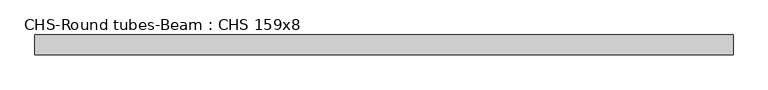
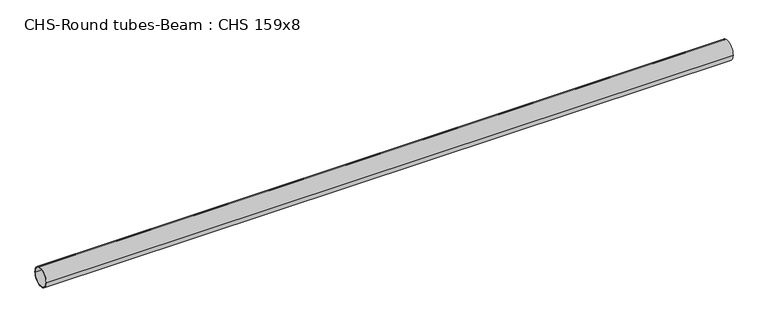
"""IFC4 building model written with IfcOpenShell, lengths in millimetres: beam geometry, CHS-Round tubes-Beam : CHS 159x8."""

from ifc_helpers import new_model, si_unit, point, frame, origin, origin_2d, place, context, project, spatial, circle_curve, trimmed, segment, composite_curve, outline, extrude, source, transform, mapped, element, save


def chs_round_tubes_beam_chs_159x8_03f00832(model_context):
    return source(origin(), model_context, "Body", "SweptSolid", [
        extrude(outline(composite_curve([segment(trimmed(circle_curve(origin_2d(), 79.5), [point((79.5, 0.0))], [point((-79.5, 0.0))], False, "CARTESIAN"), True, "CONTINUOUS"), segment(trimmed(circle_curve(origin_2d(), 79.5), [point((-79.5, 0.0))], [point((79.5, 0.0))], False, "CARTESIAN"), True, "CONTINUOUS")], self_intersect=False), holes=[composite_curve([segment(trimmed(circle_curve(origin_2d(), 71.5), [point((71.5, 0.0))], [point((-71.5, 0.0))], True, "CARTESIAN"), True, "CONTINUOUS"), segment(trimmed(circle_curve(origin_2d(), 71.5), [point((-71.5, 0.0))], [point((71.5, 0.0))], True, "CARTESIAN"), True, "CONTINUOUS")], self_intersect=False)]), frame((-2808.9870373, 0.0, 0.0), z_axis=(1.0, 0.0, 0.0), x_axis=(0.0, 1.0, 0.0)), (0.0, 0.0, 1.0), 5623.9791153),
    ])


if __name__ == "__main__":
    model = new_model("IFC4")
    model_context = context("Model", 3, world=origin())
    ifc_project = project(units=[si_unit("LENGTHUNIT", "METRE", prefix="MILLI")], contexts=[model_context])
    site = spatial("IfcSite", under=ifc_project)
    building = spatial("IfcBuilding", under=site)
    placement = place(None, origin())
    chs_round_tubes_beam_chs_159x8_shape = chs_round_tubes_beam_chs_159x8_03f00832(model_context)
    element("IfcBeam", 1, ObjectType="CHS-Round tubes-Beam : CHS 159x8", at=placement, inside=building, context=model_context, shape_type="MappedRepresentation", body=[
        mapped(chs_round_tubes_beam_chs_159x8_shape, transform((0.0, 0.0, 0.0), x_axis=(1.0, 0.0, 0.0), y_axis=(0.0, 1.0, 0.0), z_axis=(0.0, 0.0, 1.0))),
    ])
    save(model, "model.ifc")
